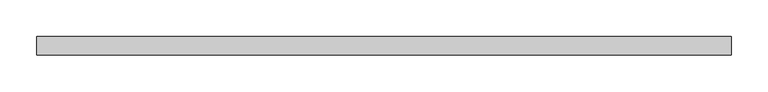
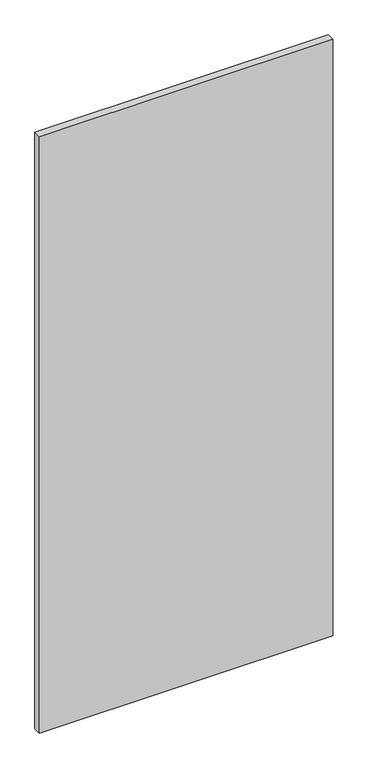
"""IFC4 building model written with IfcOpenShell, lengths in millimetres: plate geometry."""

import ifcopenshell
import ifcopenshell.guid

model = None  # the IFC model being written
_history = None  # IfcOwnerHistory: only IFC2X3 demands one
_inside = {}  # id of a spatial element -> (the spatial element, [elements in it])
_under = {}  # id of a project, library or spatial element -> (it, [spatial elements below it])
_declared = {}  # id of a project -> (the project, [libraries it declares])
_typed = {}  # id of a type object -> (the type object, [elements of that type])
_made_of = {}  # id of a material, layer set ... -> (it, [elements and type objects made of it])


def new_model(schema):
    """Start an empty IFC model of exactly this schema.

    Asked for "IFC4X3", IfcOpenShell would pick the latest addendum, in which some entities
    have other attributes; the version numbers below select the first issue.
    IFC2X3 requires an IfcOwnerHistory on every rooted entity: one is made here for all.
    """
    global model, _history
    if schema == "IFC4X3":
        model = ifcopenshell.file(schema_version=(4, 3, 0, 0))
    else:
        model = ifcopenshell.file(schema=schema)
    _inside.clear()
    _under.clear()
    _declared.clear()
    _typed.clear()
    _made_of.clear()
    _history = None
    if model.schema == "IFC2X3":
        org = make("IfcOrganization", Name="unknown")
        user = make(
            "IfcPersonAndOrganization",
            ThePerson=make("IfcPerson", FamilyName="unknown"),
            TheOrganization=org,
        )
        app = make(
            "IfcApplication",
            ApplicationDeveloper=org,
            Version="unknown",
            ApplicationFullName="unknown",
            ApplicationIdentifier="unknown",
        )
        _history = make(
            "IfcOwnerHistory",
            OwningUser=user,
            OwningApplication=app,
            ChangeAction="ADDED",
            CreationDate=0,
        )
    return model


def make(cls, **values):
    """One entity of the class cls with the attributes given. An attribute that is None is left unset."""
    return model.create_entity(
        cls, **{name: value for name, value in values.items() if value is not None}
    )


def rooted(cls, **values):
    """An entity with a GlobalId (a new one), such as an element, a storey or a relation."""
    return make(cls, GlobalId=ifcopenshell.guid.new(), OwnerHistory=_history, **values)


def si_unit(unit_type, name, prefix=None):
    """IfcSIUnit, for example si_unit("LENGTHUNIT", "METRE", prefix="MILLI")."""
    return make("IfcSIUnit", UnitType=unit_type, Prefix=prefix, Name=name)


def assignment(units):
    """IfcUnitAssignment: the units of a project."""
    return None if units is None else make("IfcUnitAssignment", Units=units)


def point(xyz):
    """IfcCartesianPoint."""
    return None if xyz is None else make("IfcCartesianPoint", Coordinates=xyz)


def direction(xyz):
    """IfcDirection."""
    return None if xyz is None else make("IfcDirection", DirectionRatios=xyz)


def frame(location, z_axis=None, x_axis=None):
    """IfcAxis2Placement3D, a coordinate frame: its origin and axes. An axis left out is left unset."""
    return make(
        "IfcAxis2Placement3D",
        Location=point(location),
        Axis=direction(z_axis),
        RefDirection=direction(x_axis),
    )


def origin():
    """The frame at (0, 0, 0) with its axes left unset."""
    return frame((0.0, 0.0, 0.0))


def origin_with_axes():
    """The frame at (0, 0, 0) with the z axis (0, 0, 1) and the x axis (1, 0, 0) written out."""
    return frame((0.0, 0.0, 0.0), z_axis=(0.0, 0.0, 1.0), x_axis=(1.0, 0.0, 0.0))


def place(relative_to, where):
    """IfcLocalPlacement: puts the frame where relative to a parent placement (None: the world)."""
    return make(
        "IfcLocalPlacement", PlacementRelTo=relative_to, RelativePlacement=where
    )


def context(
    kind, dimensions, precision=None, world=None, true_north=None, identifier=None
):
    """IfcGeometricRepresentationContext, for example the 3D "Model" context."""
    return make(
        "IfcGeometricRepresentationContext",
        ContextIdentifier=identifier,
        ContextType=kind,
        CoordinateSpaceDimension=dimensions,
        Precision=precision,
        WorldCoordinateSystem=world,
        TrueNorth=true_north,
    )


def project(units=None, contexts=None):
    """IfcProject with its units and contexts."""
    return rooted(
        "IfcProject",
        Name="project",
        RepresentationContexts=contexts,
        UnitsInContext=assignment(units),
    )


def spatial(cls, under=None, at=None, **own):
    """A site, building, storey or space (cls), placed at a placement, below another one or the project."""
    s = rooted(cls, ObjectPlacement=at, **own)
    if under is not None:
        _under.setdefault(under.id(), (under, []))[1].append(s)
    return s


def polyline(points):
    """IfcPolyline through the points."""
    return make("IfcPolyline", Points=[point(p) for p in points])


def outline(outer, holes=None, kind="AREA"):
    """IfcArbitraryClosedProfileDef: a profile drawn as a closed curve; with holes, ...WithVoids."""
    if holes is None:
        return make("IfcArbitraryClosedProfileDef", ProfileType=kind, OuterCurve=outer)
    return make(
        "IfcArbitraryProfileDefWithVoids",
        ProfileType=kind,
        OuterCurve=outer,
        InnerCurves=holes,
    )


def extrude(swept, where, along, depth):
    """IfcExtrudedAreaSolid: the profile swept, set in the frame where, extruded along a direction by depth."""
    return make(
        "IfcExtrudedAreaSolid",
        SweptArea=swept,
        Position=where,
        ExtrudedDirection=direction(along),
        Depth=depth,
    )


def shape(context_of_items, identifier, shape_type, items):
    """IfcShapeRepresentation: the items that make up one representation, for example the "Body"."""
    return make(
        "IfcShapeRepresentation",
        ContextOfItems=context_of_items,
        RepresentationIdentifier=identifier,
        RepresentationType=shape_type,
        Items=items,
    )


def source(mapping_origin, context_of_items, identifier, shape_type, items):
    """IfcRepresentationMap: a shape defined once, which mapped items show again and again."""
    return make(
        "IfcRepresentationMap",
        MappingOrigin=mapping_origin,
        MappedRepresentation=shape(context_of_items, identifier, shape_type, items),
    )


def transform(
    local_origin,
    x_axis=None,
    y_axis=None,
    z_axis=None,
    scale=None,
    scale2=None,
    scale3=None,
    uniform=True,
):
    """IfcCartesianTransformationOperator3D, or its non-uniform kind. x_axis, y_axis, z_axis: its Axis1, 2, 3."""
    if uniform:
        return make(
            "IfcCartesianTransformationOperator3D",
            Axis1=direction(x_axis),
            Axis2=direction(y_axis),
            LocalOrigin=point(local_origin),
            Scale=scale,
            Axis3=direction(z_axis),
        )
    return make(
        "IfcCartesianTransformationOperator3DnonUniform",
        Axis1=direction(x_axis),
        Axis2=direction(y_axis),
        LocalOrigin=point(local_origin),
        Scale=scale,
        Axis3=direction(z_axis),
        Scale2=scale2,
        Scale3=scale3,
    )


def mapped(mapping_source, mapping_target):
    """IfcMappedItem: shows the shape of a source again, moved by a transform."""
    return make(
        "IfcMappedItem", MappingSource=mapping_source, MappingTarget=mapping_target
    )


def made_of(thing, what):
    """Note that an element or type object is made of a material, layer set ...; save() writes the relation."""
    if what is not None:
        _made_of.setdefault(what.id(), (what, []))[1].append(thing)
    return thing


def element(
    cls,
    number,
    at=None,
    inside=None,
    cuts=None,
    type_object=None,
    material=None,
    context=None,
    identifier="Body",
    shape_type=None,
    held_by="IfcProductDefinitionShape",
    body=None,
    shapes=None,
    **own,
):
    """One element of the class cls, such as IfcWall. Its Tag is "e" and its number.

    at: its placement. inside: the storey or other place that contains it. cuts: it is an
    opening in that element (IfcRelVoidsElement). A single representation is given by context,
    identifier, shape_type and body (its items); several are given by shapes. held_by: the class
    of the entity that holds the representations. save() writes the other relations.
    """
    e = rooted(cls, Tag="e%d" % number, ObjectPlacement=at, **own)
    if body is not None:
        shapes = [shape(context, identifier, shape_type, body)]
    if shapes is not None:
        e.Representation = make(held_by, Representations=shapes)
    if inside is not None:
        _inside.setdefault(inside.id(), (inside, []))[1].append(e)
    if cuts is not None:
        rooted(
            "IfcRelVoidsElement", RelatingBuildingElement=cuts, RelatedOpeningElement=e
        )
    if type_object is not None:
        _typed.setdefault(type_object.id(), (type_object, []))[1].append(e)
    return made_of(e, material)


def aggregate(whole, parts):
    """IfcRelAggregates: a whole, such as a stair, and the parts it consists of."""
    return rooted("IfcRelAggregates", RelatingObject=whole, RelatedObjects=parts)


def save(model, path):
    """Write the relations noted so far, then the file.

    IfcRelAggregates (storeys below a building ...), IfcRelContainedInSpatialStructure (elements
    in a storey), IfcRelDefinesByType, IfcRelAssociatesMaterial and IfcRelDeclares: one each for
    every whole, place, type object, material and project.
    """
    for whole, parts in _under.values():
        aggregate(whole, parts)
    for where, things in _inside.values():
        rooted(
            "IfcRelContainedInSpatialStructure",
            RelatedElements=things,
            RelatingStructure=where,
        )
    for kind, things in _typed.values():
        rooted("IfcRelDefinesByType", RelatedObjects=things, RelatingType=kind)
    for what, things in _made_of.values():
        rooted("IfcRelAssociatesMaterial", RelatedObjects=things, RelatingMaterial=what)
    for by, libraries in _declared.values():
        rooted("IfcRelDeclares", RelatingContext=by, RelatedDefinitions=libraries)
    model.write(path)


def plate_6489b1d9(model_context):
    return source(origin(), model_context, "Body", "SweptSolid", [
        extrude(outline(polyline([(471.20067, 24.5), (-471.20067, 24.5), (-471.20067, 49.5), (471.20067, 49.5), (471.20067, 24.5)])), origin_with_axes(), (0.0, 0.0, 1.0), 2025.0),
    ])


if __name__ == "__main__":
    model = new_model("IFC4")
    model_context = context("Model", 3, world=origin())
    ifc_project = project(units=[si_unit("LENGTHUNIT", "METRE", prefix="MILLI")], contexts=[model_context])
    site = spatial("IfcSite", under=ifc_project)
    building = spatial("IfcBuilding", under=site)
    placement = place(None, origin())
    plate_shape = plate_6489b1d9(model_context)
    element("IfcPlate", 1, at=placement, inside=building, context=model_context, shape_type="MappedRepresentation", body=[
        mapped(plate_shape, transform((0.0, 0.0, 0.0), x_axis=(1.0, 0.0, 0.0), y_axis=(0.0, 1.0, 0.0), z_axis=(0.0, 0.0, 1.0))),
    ])
    save(model, "model.ifc")
